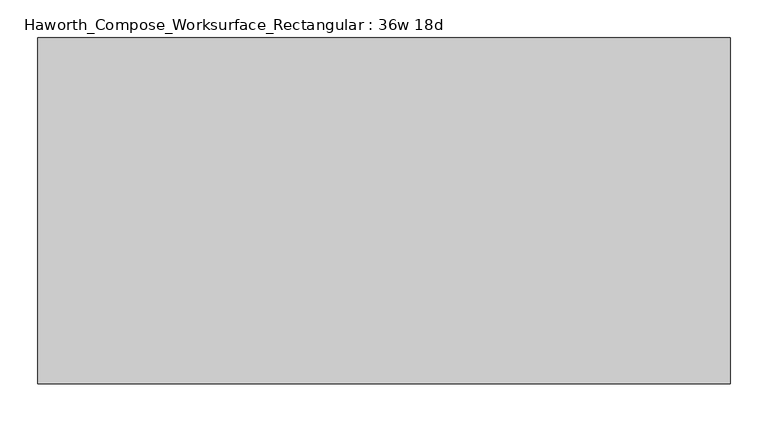
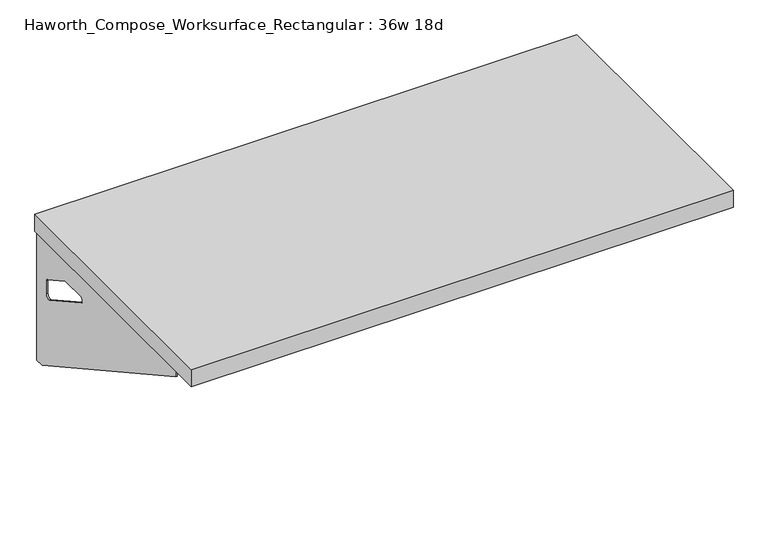
"""IFC4 building model written with IfcOpenShell, lengths in millimetres: furniture geometry, Haworth_Compose_Worksurface_Rectangular : 36w 18d."""

import ifcopenshell
import ifcopenshell.guid

model = None  # the IFC model being written
_history = None  # IfcOwnerHistory: only IFC2X3 demands one
_inside = {}  # id of a spatial element -> (the spatial element, [elements in it])
_under = {}  # id of a project, library or spatial element -> (it, [spatial elements below it])
_declared = {}  # id of a project -> (the project, [libraries it declares])
_typed = {}  # id of a type object -> (the type object, [elements of that type])
_made_of = {}  # id of a material, layer set ... -> (it, [elements and type objects made of it])


def new_model(schema):
    """Start an empty IFC model of exactly this schema.

    Asked for "IFC4X3", IfcOpenShell would pick the latest addendum, in which some entities
    have other attributes; the version numbers below select the first issue.
    IFC2X3 requires an IfcOwnerHistory on every rooted entity: one is made here for all.
    """
    global model, _history
    if schema == "IFC4X3":
        model = ifcopenshell.file(schema_version=(4, 3, 0, 0))
    else:
        model = ifcopenshell.file(schema=schema)
    _inside.clear()
    _under.clear()
    _declared.clear()
    _typed.clear()
    _made_of.clear()
    _history = None
    if model.schema == "IFC2X3":
        org = make("IfcOrganization", Name="unknown")
        user = make(
            "IfcPersonAndOrganization",
            ThePerson=make("IfcPerson", FamilyName="unknown"),
            TheOrganization=org,
        )
        app = make(
            "IfcApplication",
            ApplicationDeveloper=org,
            Version="unknown",
            ApplicationFullName="unknown",
            ApplicationIdentifier="unknown",
        )
        _history = make(
            "IfcOwnerHistory",
            OwningUser=user,
            OwningApplication=app,
            ChangeAction="ADDED",
            CreationDate=0,
        )
    return model


def make(cls, **values):
    """One entity of the class cls with the attributes given. An attribute that is None is left unset."""
    return model.create_entity(
        cls, **{name: value for name, value in values.items() if value is not None}
    )


def rooted(cls, **values):
    """An entity with a GlobalId (a new one), such as an element, a storey or a relation."""
    return make(cls, GlobalId=ifcopenshell.guid.new(), OwnerHistory=_history, **values)


def si_unit(unit_type, name, prefix=None):
    """IfcSIUnit, for example si_unit("LENGTHUNIT", "METRE", prefix="MILLI")."""
    return make("IfcSIUnit", UnitType=unit_type, Prefix=prefix, Name=name)


def assignment(units):
    """IfcUnitAssignment: the units of a project."""
    return None if units is None else make("IfcUnitAssignment", Units=units)


def point(xyz):
    """IfcCartesianPoint."""
    return None if xyz is None else make("IfcCartesianPoint", Coordinates=xyz)


def direction(xyz):
    """IfcDirection."""
    return None if xyz is None else make("IfcDirection", DirectionRatios=xyz)


def frame(location, z_axis=None, x_axis=None):
    """IfcAxis2Placement3D, a coordinate frame: its origin and axes. An axis left out is left unset."""
    return make(
        "IfcAxis2Placement3D",
        Location=point(location),
        Axis=direction(z_axis),
        RefDirection=direction(x_axis),
    )


def origin():
    """The frame at (0, 0, 0) with its axes left unset."""
    return frame((0.0, 0.0, 0.0))


def place(relative_to, where):
    """IfcLocalPlacement: puts the frame where relative to a parent placement (None: the world)."""
    return make(
        "IfcLocalPlacement", PlacementRelTo=relative_to, RelativePlacement=where
    )


def context(
    kind, dimensions, precision=None, world=None, true_north=None, identifier=None
):
    """IfcGeometricRepresentationContext, for example the 3D "Model" context."""
    return make(
        "IfcGeometricRepresentationContext",
        ContextIdentifier=identifier,
        ContextType=kind,
        CoordinateSpaceDimension=dimensions,
        Precision=precision,
        WorldCoordinateSystem=world,
        TrueNorth=true_north,
    )


def project(units=None, contexts=None):
    """IfcProject with its units and contexts."""
    return rooted(
        "IfcProject",
        Name="project",
        RepresentationContexts=contexts,
        UnitsInContext=assignment(units),
    )


def spatial(cls, under=None, at=None, **own):
    """A site, building, storey or space (cls), placed at a placement, below another one or the project."""
    s = rooted(cls, ObjectPlacement=at, **own)
    if under is not None:
        _under.setdefault(under.id(), (under, []))[1].append(s)
    return s


def polyline(points):
    """IfcPolyline through the points."""
    return make("IfcPolyline", Points=[point(p) for p in points])


def circle_curve(where, radius):
    """IfcCircle in the frame where."""
    return make("IfcCircle", Position=where, Radius=radius)


def outline(outer, holes=None, kind="AREA"):
    """IfcArbitraryClosedProfileDef: a profile drawn as a closed curve; with holes, ...WithVoids."""
    if holes is None:
        return make("IfcArbitraryClosedProfileDef", ProfileType=kind, OuterCurve=outer)
    return make(
        "IfcArbitraryProfileDefWithVoids",
        ProfileType=kind,
        OuterCurve=outer,
        InnerCurves=holes,
    )


def extrude(swept, where, along, depth):
    """IfcExtrudedAreaSolid: the profile swept, set in the frame where, extruded along a direction by depth."""
    return make(
        "IfcExtrudedAreaSolid",
        SweptArea=swept,
        Position=where,
        ExtrudedDirection=direction(along),
        Depth=depth,
    )


def shape(context_of_items, identifier, shape_type, items):
    """IfcShapeRepresentation: the items that make up one representation, for example the "Body"."""
    return make(
        "IfcShapeRepresentation",
        ContextOfItems=context_of_items,
        RepresentationIdentifier=identifier,
        RepresentationType=shape_type,
        Items=items,
    )


def source(mapping_origin, context_of_items, identifier, shape_type, items):
    """IfcRepresentationMap: a shape defined once, which mapped items show again and again."""
    return make(
        "IfcRepresentationMap",
        MappingOrigin=mapping_origin,
        MappedRepresentation=shape(context_of_items, identifier, shape_type, items),
    )


def transform(
    local_origin,
    x_axis=None,
    y_axis=None,
    z_axis=None,
    scale=None,
    scale2=None,
    scale3=None,
    uniform=True,
):
    """IfcCartesianTransformationOperator3D, or its non-uniform kind. x_axis, y_axis, z_axis: its Axis1, 2, 3."""
    if uniform:
        return make(
            "IfcCartesianTransformationOperator3D",
            Axis1=direction(x_axis),
            Axis2=direction(y_axis),
            LocalOrigin=point(local_origin),
            Scale=scale,
            Axis3=direction(z_axis),
        )
    return make(
        "IfcCartesianTransformationOperator3DnonUniform",
        Axis1=direction(x_axis),
        Axis2=direction(y_axis),
        LocalOrigin=point(local_origin),
        Scale=scale,
        Axis3=direction(z_axis),
        Scale2=scale2,
        Scale3=scale3,
    )


def mapped(mapping_source, mapping_target):
    """IfcMappedItem: shows the shape of a source again, moved by a transform."""
    return make(
        "IfcMappedItem", MappingSource=mapping_source, MappingTarget=mapping_target
    )


def made_of(thing, what):
    """Note that an element or type object is made of a material, layer set ...; save() writes the relation."""
    if what is not None:
        _made_of.setdefault(what.id(), (what, []))[1].append(thing)
    return thing


def element(
    cls,
    number,
    at=None,
    inside=None,
    cuts=None,
    type_object=None,
    material=None,
    context=None,
    identifier="Body",
    shape_type=None,
    held_by="IfcProductDefinitionShape",
    body=None,
    shapes=None,
    **own,
):
    """One element of the class cls, such as IfcWall. Its Tag is "e" and its number.

    at: its placement. inside: the storey or other place that contains it. cuts: it is an
    opening in that element (IfcRelVoidsElement). A single representation is given by context,
    identifier, shape_type and body (its items); several are given by shapes. held_by: the class
    of the entity that holds the representations. save() writes the other relations.
    """
    e = rooted(cls, Tag="e%d" % number, ObjectPlacement=at, **own)
    if body is not None:
        shapes = [shape(context, identifier, shape_type, body)]
    if shapes is not None:
        e.Representation = make(held_by, Representations=shapes)
    if inside is not None:
        _inside.setdefault(inside.id(), (inside, []))[1].append(e)
    if cuts is not None:
        rooted(
            "IfcRelVoidsElement", RelatingBuildingElement=cuts, RelatedOpeningElement=e
        )
    if type_object is not None:
        _typed.setdefault(type_object.id(), (type_object, []))[1].append(e)
    return made_of(e, material)


def aggregate(whole, parts):
    """IfcRelAggregates: a whole, such as a stair, and the parts it consists of."""
    return rooted("IfcRelAggregates", RelatingObject=whole, RelatedObjects=parts)


def save(model, path):
    """Write the relations noted so far, then the file.

    IfcRelAggregates (storeys below a building ...), IfcRelContainedInSpatialStructure (elements
    in a storey), IfcRelDefinesByType, IfcRelAssociatesMaterial and IfcRelDeclares: one each for
    every whole, place, type object, material and project.
    """
    for whole, parts in _under.values():
        aggregate(whole, parts)
    for where, things in _inside.values():
        rooted(
            "IfcRelContainedInSpatialStructure",
            RelatedElements=things,
            RelatingStructure=where,
        )
    for kind, things in _typed.values():
        rooted("IfcRelDefinesByType", RelatedObjects=things, RelatingType=kind)
    for what, things in _made_of.values():
        rooted("IfcRelAssociatesMaterial", RelatedObjects=things, RelatingMaterial=what)
    for by, libraries in _declared.values():
        rooted("IfcRelDeclares", RelatingContext=by, RelatedDefinitions=libraries)
    model.write(path)


def plane_surface(at):
    """IfcPlane: the flat surface through the origin of the frame at, square to its z axis."""
    return make("IfcPlane", Position=at)


def revolved_surface(curve, axis_point, axis_direction):
    """IfcSurfaceOfRevolution: the curve turned about the line through axis_point along axis_direction."""
    return make(
        "IfcSurfaceOfRevolution",
        SweptCurve=make("IfcArbitraryOpenProfileDef", ProfileType="CURVE", Curve=curve),
        AxisPosition=make("IfcAxis1Placement", Location=point(axis_point), Axis=direction(axis_direction)),
    )


def advanced_brep(points, edges, surfaces, faces):
    """IfcAdvancedBrep: a solid bounded by faces that lie on surfaces and meet in shared edges.

    An edge is (start, end): straight between two places in points (the first is 0);
    or (start, end, curve); or (start, end, curve, False) where it runs against its curve.
    A face is (place in surfaces, loops), or (place, loops, False) where it looks against
    its surface's normal. A loop lists edges by number (the first is 1), with a minus sign
    where the edge is run from its end to its start. The first loop is the outer one.
    """
    corners = [point(p) for p in points]
    vertices = [make("IfcVertexPoint", VertexGeometry=c) for c in corners]
    made = []
    for start, end, *more in edges:
        made.append(
            make(
                "IfcEdgeCurve",
                EdgeStart=vertices[start],
                EdgeEnd=vertices[end],
                EdgeGeometry=more[0] if more else make("IfcPolyline", Points=[corners[start], corners[end]]),
                SameSense=more[1] if len(more) > 1 else True,
            )
        )
    hull = []
    for where, loops, *sense in faces:
        bounds = []
        for j, loop in enumerate(loops):
            ring = [make("IfcOrientedEdge", EdgeElement=made[abs(k) - 1], Orientation=k > 0) for k in loop]
            bounds.append(
                make(
                    "IfcFaceOuterBound" if j == 0 else "IfcFaceBound",
                    Bound=make("IfcEdgeLoop", EdgeList=ring),
                    Orientation=True,
                )
            )
        hull.append(make("IfcAdvancedFace", Bounds=bounds, FaceSurface=surfaces[where], SameSense=sense[0] if sense else True))
    return make("IfcAdvancedBrep", Outer=make("IfcClosedShell", CfsFaces=hull))


def haworth_compose_worksurface_rectangular_36w_18d_f1864bdc(model_context):
    return source(origin(), model_context, "Body", "SolidModel", [
        advanced_brep(
        [(451.64375, 228.6, 475.45625), (451.64375, 212.725, 475.45625), (451.64375, -177.8, 691.7192568), (451.64375, -177.8, 704.05625), (451.64375, 212.725, 704.05625), (451.64375, 228.6, 704.05625), (451.64375, 145.290072, 665.95625), (451.64375, 101.6355284, 665.95625), (451.64375, 98.9564235, 656.3705539), (451.64375, 190.6776173, 605.5776439), (451.64375, 200.025, 611.1756969), (451.64375, 200.025, 634.6860246), (451.64375, 198.2730055, 637.5242776), (451.64375, 148.3663437, 665.1613425), (454.025, 228.6, 475.45625), (454.025, 228.6, 704.05625), (454.025, 212.725, 704.05625), (454.025, 212.725, 706.4375), (454.025, -177.8, 706.4375), (454.025, -177.8, 691.7192568), (454.025, 212.725, 475.45625), (454.025, 145.290072, 665.95625), (454.025, 148.3663437, 665.1613425), (454.025, 198.2730055, 637.5242776), (454.025, 200.025, 634.6860246), (454.025, 200.025, 611.1756969), (454.025, 190.6776173, 605.5776439), (454.025, 98.9564235, 656.3705539), (454.025, 101.6355284, 665.95625), (412.75, -177.8, 706.4375), (412.75, -177.8, 704.05625), (412.75, 212.725, 704.05625), (412.75, 212.725, 706.4375)],
        [
            (0, 1),
            (1, 2),
            (2, 3),
            (3, 4),
            (4, 5),
            (5, 0),
            (6, 7),
            (7, 8, circle_curve(frame((451.64375, 101.6355284, 660.7890106), z_axis=(1.0, 0.0, 0.0), x_axis=(0.0, -1.0, 0.0)), 5.1672394)),
            (8, 9),
            (9, 10, circle_curve(frame((451.64375, 193.675, 611.1756969), z_axis=(1.0, 0.0, 0.0), x_axis=(0.0, -1.0, 0.0)), 6.35)),
            (10, 11),
            (11, 12, circle_curve(frame((451.64375, 196.85, 634.6860246), z_axis=(1.0, 0.0, 0.0), x_axis=(0.0, -1.0, 0.0)), 3.175)),
            (12, 13),
            (13, 6, circle_curve(frame((451.64375, 145.290072, 659.60625), z_axis=(1.0, 0.0, 0.0), x_axis=(0.0, -1.0, 0.0)), 6.35)),
            (14, 15),
            (15, 16),
            (16, 17),
            (17, 18),
            (18, 19),
            (19, 20),
            (20, 14),
            (21, 22, circle_curve(frame((454.025, 145.290072, 659.60625), z_axis=(-1.0, 0.0, 0.0), x_axis=(0.0, -1.0, 0.0)), 6.35)),
            (22, 23),
            (23, 24, circle_curve(frame((454.025, 196.85, 634.6860246), z_axis=(-1.0, 0.0, 0.0), x_axis=(0.0, -1.0, 0.0)), 3.175)),
            (24, 25),
            (25, 26, circle_curve(frame((454.025, 193.675, 611.1756969), z_axis=(-1.0, 0.0, 0.0), x_axis=(0.0, -1.0, 0.0)), 6.35)),
            (26, 27),
            (27, 28, circle_curve(frame((454.025, 101.6355284, 660.7890106), z_axis=(-1.0, 0.0, 0.0), x_axis=(0.0, -1.0, 0.0)), 5.1672394)),
            (28, 21),
            (4, 16),
            (15, 5),
            (14, 0),
            (20, 1),
            (19, 2),
            (18, 29),
            (29, 30),
            (30, 3),
            (6, 21),
            (28, 7),
            (9, 26),
            (25, 10),
            (24, 11),
            (23, 12),
            (27, 8),
            (31, 4),
            (30, 31),
            (32, 29),
            (17, 32),
            (31, 32),
            (22, 13),
        ],
        [
            plane_surface(frame((451.64375, 228.6, 475.45625), z_axis=(-1.0, 0.0, 0.0), x_axis=(0.0, 1.0, 0.0))),
            plane_surface(frame((454.025, 228.6, 475.45625), z_axis=(1.0, 0.0, 0.0), x_axis=(0.0, -1.0, 0.0))),
            plane_surface(frame((454.025, -177.8, 704.05625), z_axis=(0.0, 0.0, 1.0), x_axis=(-1.0, 0.0, 0.0))),
            plane_surface(frame((454.025, 228.6, 704.05625), z_axis=(0.0, 1.0, 0.0), x_axis=(-1.0, 0.0, 0.0))),
            plane_surface(frame((454.025, 228.6, 475.45625), z_axis=(0.0, 0.0, -1.0), x_axis=(-1.0, 0.0, 0.0))),
            plane_surface(frame((454.025, 212.725, 475.45625), z_axis=(0.0, -0.48445223513455843, -0.8748177135112952), x_axis=(-1.0, 0.0, 0.0))),
            plane_surface(frame((454.025, -177.8, 691.7192568), z_axis=(0.0, -1.0, 0.0), x_axis=(-1.0, 0.0, 0.0))),
            plane_surface(frame((454.025, 145.290072, 665.95625), z_axis=(0.0, 0.0, -1.0), x_axis=(-1.0, 0.0, 0.0))),
            revolved_surface(polyline([(451.64375, 187.32500000000002, 611.1756969), (454.025, 187.32500000000002, 611.1756969)]), (454.025, 193.675, 611.1756969), (-1.0, 0.0, 0.0)),
            plane_surface(frame((454.025, 200.025, 611.1756969), z_axis=(0.0, -1.0, 0.0), x_axis=(-1.0, 0.0, 0.0))),
            revolved_surface(polyline([(451.64375, 193.67499999999998, 634.6860246), (454.025, 193.67499999999998, 634.6860246)]), (454.025, 196.85, 634.6860246), (-1.0, 0.0, 0.0)),
            revolved_surface(polyline([(451.64375, 96.468289, 660.7890106), (454.025, 96.468289, 660.7890106)]), (454.025, 101.6355284, 660.7890106), (-1.0, 0.0, 0.0)),
            plane_surface(frame((454.025, 212.725, 704.05625), z_axis=(0.0, 0.0, -1.0), x_axis=(-1.0, 0.0, 0.0))),
            plane_surface(frame((454.025, 212.725, 706.4375), z_axis=(0.0, 0.0, 1.0), x_axis=(1.0, 0.0, 0.0))),
            plane_surface(frame((412.75, 212.725, 706.4375), z_axis=(0.0, 1.0, 0.0), x_axis=(0.0, 0.0, -1.0))),
            plane_surface(frame((412.75, -177.8, 706.4375), z_axis=(-1.0, 0.0, 0.0), x_axis=(0.0, 0.0, -1.0))),
            plane_surface(frame((454.025, 98.9564235, 656.3705539), z_axis=(0.0, 0.4844522351345583, 0.8748177135112953), x_axis=(-1.0, 0.0, 0.0))),
            plane_surface(frame((454.025, 198.2730055, 637.5242776), z_axis=(0.0, -0.4844522351345582, -0.8748177135112953), x_axis=(-1.0, 0.0, 0.0))),
            revolved_surface(polyline([(451.64375, 138.94007200000001, 659.60625), (454.025, 138.94007200000001, 659.60625)]), (454.025, 145.290072, 659.60625), (-1.0, 0.0, 0.0)),
        ],
        [
            (0, [[1, 2, 3, 4, 5, 6], [7, 8, 9, 10, 11, 12, 13, 14]]),
            (1, [[15, 16, 17, 18, 19, 20, 21], [22, 23, 24, 25, 26, 27, 28, 29]]),
            (2, [[-5, 30, -16, 31]]),
            (3, [[-31, -15, 32, -6]]),
            (4, [[-32, -21, 33, -1]]),
            (5, [[-33, -20, 34, -2]]),
            (6, [[-34, -19, 35, 36, 37, -3]]),
            (7, [[38, -29, 39, -7]]),
            (8, [[40, -26, 41, -10]]),
            (9, [[-41, -25, 42, -11]]),
            (10, [[-42, -24, 43, -12]]),
            (11, [[-39, -28, 44, -8]]),
            (12, [[45, -4, -37, 46]]),
            (13, [[47, -35, -18, 48]]),
            (14, [[-17, -30, -45, 49, -48]]),
            (15, [[-36, -47, -49, -46]]),
            (16, [[-44, -27, -40, -9]]),
            (17, [[-43, -23, 50, -13]]),
            (18, [[-50, -22, -38, -14]]),
        ],
    ),
        advanced_brep(
        [(-451.64375, 228.6, 475.45625), (-451.64375, 228.6, 704.05625), (-451.64375, 212.725, 704.05625), (-451.64375, -177.8, 704.05625), (-451.64375, -177.8, 691.7192568), (-451.64375, 212.725, 475.45625), (-451.64375, 145.290072, 665.95625), (-451.64375, 148.3663437, 665.1613425), (-451.64375, 198.2730055, 637.5242776), (-451.64375, 200.025, 634.6860246), (-451.64375, 200.025, 611.1756969), (-451.64375, 190.6776173, 605.5776439), (-451.64375, 98.9564235, 656.3705539), (-451.64375, 101.6355284, 665.95625), (-454.025, 228.6, 475.45625), (-454.025, 212.725, 475.45625), (-454.025, -177.8, 691.7192568), (-454.025, -177.8, 706.4375), (-454.025, 212.725, 706.4375), (-454.025, 212.725, 704.05625), (-454.025, 228.6, 704.05625), (-454.025, 145.290072, 665.95625), (-454.025, 101.6355284, 665.95625), (-454.025, 98.9564235, 656.3705539), (-454.025, 190.6776173, 605.5776439), (-454.025, 200.025, 611.1756969), (-454.025, 200.025, 634.6860246), (-454.025, 198.2730055, 637.5242776), (-454.025, 148.3663437, 665.1613425), (-412.75, -177.8, 704.05625), (-412.75, -177.8, 706.4375), (-412.75, 212.725, 704.05625), (-412.75, 212.725, 706.4375)],
        [
            (0, 1),
            (1, 2),
            (2, 3),
            (3, 4),
            (4, 5),
            (5, 0),
            (6, 7, circle_curve(frame((-451.64375, 145.290072, 659.60625), z_axis=(-1.0, 0.0, 0.0), x_axis=(0.0, -1.0, 0.0)), 6.35)),
            (7, 8),
            (8, 9, circle_curve(frame((-451.64375, 196.85, 634.6860246), z_axis=(-1.0, 0.0, 0.0), x_axis=(0.0, -1.0, 0.0)), 3.175)),
            (9, 10),
            (10, 11, circle_curve(frame((-451.64375, 193.675, 611.1756969), z_axis=(-1.0, 0.0, 0.0), x_axis=(0.0, -1.0, 0.0)), 6.35)),
            (11, 12),
            (12, 13, circle_curve(frame((-451.64375, 101.6355284, 660.7890106), z_axis=(-1.0, 0.0, 0.0), x_axis=(0.0, -1.0, 0.0)), 5.1672394)),
            (13, 6),
            (14, 15),
            (15, 16),
            (16, 17),
            (17, 18),
            (18, 19),
            (19, 20),
            (20, 14),
            (21, 22),
            (22, 23, circle_curve(frame((-454.025, 101.6355284, 660.7890106), z_axis=(1.0, 0.0, 0.0), x_axis=(0.0, -1.0, 0.0)), 5.1672394)),
            (23, 24),
            (24, 25, circle_curve(frame((-454.025, 193.675, 611.1756969), z_axis=(1.0, 0.0, 0.0), x_axis=(0.0, -1.0, 0.0)), 6.35)),
            (25, 26),
            (26, 27, circle_curve(frame((-454.025, 196.85, 634.6860246), z_axis=(1.0, 0.0, 0.0), x_axis=(0.0, -1.0, 0.0)), 3.175)),
            (27, 28),
            (28, 21, circle_curve(frame((-454.025, 145.290072, 659.60625), z_axis=(1.0, 0.0, 0.0), x_axis=(0.0, -1.0, 0.0)), 6.35)),
            (1, 20),
            (19, 2),
            (0, 14),
            (5, 15),
            (4, 16),
            (3, 29),
            (29, 30),
            (30, 17),
            (13, 22),
            (21, 6),
            (10, 25),
            (24, 11),
            (9, 26),
            (8, 27),
            (12, 23),
            (31, 29),
            (2, 31),
            (32, 18),
            (30, 32),
            (32, 31),
            (7, 28),
        ],
        [
            plane_surface(frame((-451.64375, 228.6, 475.45625), z_axis=(1.0, 0.0, 0.0), x_axis=(0.0, 1.0, 0.0))),
            plane_surface(frame((-454.025, 228.6, 475.45625), z_axis=(-1.0, 0.0, 0.0), x_axis=(0.0, -1.0, 0.0))),
            plane_surface(frame((-454.025, -177.8, 704.05625), z_axis=(0.0, 0.0, 1.0), x_axis=(1.0, 0.0, 0.0))),
            plane_surface(frame((-454.025, 228.6, 704.05625), z_axis=(0.0, 1.0, 0.0), x_axis=(1.0, 0.0, 0.0))),
            plane_surface(frame((-454.025, 228.6, 475.45625), z_axis=(0.0, 0.0, -1.0), x_axis=(1.0, 0.0, 0.0))),
            plane_surface(frame((-454.025, 212.725, 475.45625), z_axis=(0.0, -0.48445223513455843, -0.8748177135112952), x_axis=(1.0, 0.0, 0.0))),
            plane_surface(frame((-454.025, -177.8, 691.7192568), z_axis=(0.0, -1.0, 0.0), x_axis=(1.0, 0.0, 0.0))),
            plane_surface(frame((-454.025, 145.290072, 665.95625), z_axis=(0.0, 0.0, -1.0), x_axis=(1.0, 0.0, 0.0))),
            revolved_surface(polyline([(-451.64375, 187.32500000000002, 611.1756969), (-454.025, 187.32500000000002, 611.1756969)]), (-454.025, 193.675, 611.1756969), (1.0, 0.0, 0.0)),
            plane_surface(frame((-454.025, 200.025, 611.1756969), z_axis=(0.0, -1.0, 0.0), x_axis=(1.0, 0.0, 0.0))),
            revolved_surface(polyline([(-451.64375, 193.67499999999998, 634.6860246), (-454.025, 193.67499999999998, 634.6860246)]), (-454.025, 196.85, 634.6860246), (1.0, 0.0, 0.0)),
            revolved_surface(polyline([(-451.64375, 96.468289, 660.7890106), (-454.025, 96.468289, 660.7890106)]), (-454.025, 101.6355284, 660.7890106), (1.0, 0.0, 0.0)),
            plane_surface(frame((-454.025, 212.725, 704.05625), z_axis=(0.0, 0.0, -1.0), x_axis=(1.0, 0.0, 0.0))),
            plane_surface(frame((-454.025, 212.725, 706.4375), z_axis=(0.0, 0.0, 1.0), x_axis=(-1.0, 0.0, 0.0))),
            plane_surface(frame((-412.75, 212.725, 706.4375), z_axis=(0.0, 1.0, 0.0), x_axis=(0.0, 0.0, -1.0))),
            plane_surface(frame((-412.75, -177.8, 706.4375), z_axis=(1.0, 0.0, 0.0), x_axis=(0.0, 0.0, -1.0))),
            plane_surface(frame((-454.025, 98.9564235, 656.3705539), z_axis=(0.0, 0.4844522351345583, 0.8748177135112953), x_axis=(1.0, 0.0, 0.0))),
            plane_surface(frame((-454.025, 198.2730055, 637.5242776), z_axis=(0.0, -0.4844522351345582, -0.8748177135112953), x_axis=(1.0, 0.0, 0.0))),
            revolved_surface(polyline([(-451.64375, 138.94007200000001, 659.60625), (-454.025, 138.94007200000001, 659.60625)]), (-454.025, 145.290072, 659.60625), (1.0, 0.0, 0.0)),
        ],
        [
            (0, [[1, 2, 3, 4, 5, 6], [7, 8, 9, 10, 11, 12, 13, 14]]),
            (1, [[15, 16, 17, 18, 19, 20, 21], [22, 23, 24, 25, 26, 27, 28, 29]]),
            (2, [[30, -20, 31, -2]]),
            (3, [[-1, 32, -21, -30]]),
            (4, [[-6, 33, -15, -32]]),
            (5, [[-5, 34, -16, -33]]),
            (6, [[-4, 35, 36, 37, -17, -34]]),
            (7, [[-14, 38, -22, 39]]),
            (8, [[-11, 40, -25, 41]]),
            (9, [[-10, 42, -26, -40]]),
            (10, [[-9, 43, -27, -42]]),
            (11, [[-13, 44, -23, -38]]),
            (12, [[45, -35, -3, 46]]),
            (13, [[47, -18, -37, 48]]),
            (14, [[-47, 49, -46, -31, -19]]),
            (15, [[-45, -49, -48, -36]]),
            (16, [[-12, -41, -24, -44]]),
            (17, [[-8, 50, -28, -43]]),
            (18, [[-7, -39, -29, -50]]),
        ],
    ),
        extrude(outline(polyline([(457.2, 228.6), (457.2, -228.6), (-457.2, -228.6), (-457.2, 228.6), (457.2, 228.6)])), frame((0.0, 0.0, 706.4375), z_axis=(0.0, 0.0, 1.0), x_axis=(1.0, 0.0, 0.0)), (0.0, 0.0, 1.0), 30.1625),
    ])


if __name__ == "__main__":
    model = new_model("IFC4")
    model_context = context("Model", 3, world=origin())
    ifc_project = project(units=[si_unit("LENGTHUNIT", "METRE", prefix="MILLI")], contexts=[model_context])
    site = spatial("IfcSite", under=ifc_project)
    building = spatial("IfcBuilding", under=site)
    placement = place(None, origin())
    haworth_compose_worksurface_rectangular_36w_18d_shape = haworth_compose_worksurface_rectangular_36w_18d_f1864bdc(model_context)
    element("IfcFurniture", 1, ObjectType="Haworth_Compose_Worksurface_Rectangular : 36w 18d", at=placement, inside=building, context=model_context, shape_type="MappedRepresentation", body=[
        mapped(haworth_compose_worksurface_rectangular_36w_18d_shape, transform((0.0, 0.0, 0.0), x_axis=(1.0, 0.0, 0.0), y_axis=(0.0, 1.0, 0.0), z_axis=(0.0, 0.0, 1.0))),
    ])
    save(model, "model.ifc")
